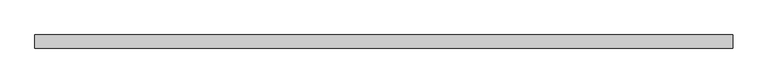
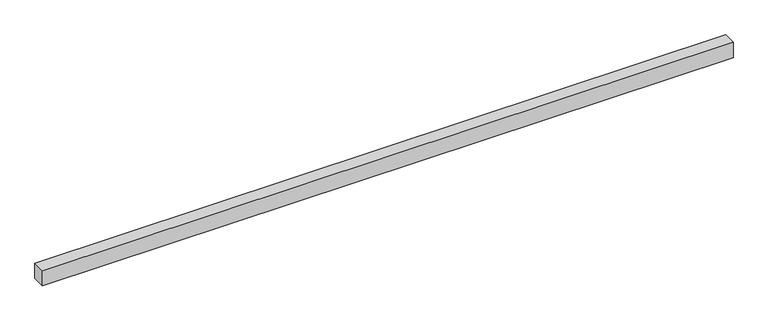
"""IFC4 building model written with IfcOpenShell, lengths in millimetres: proxy geometry."""

from ifc_helpers import new_model, si_unit, frame, origin, place, context, project, spatial, polyline, outline, extrude, source, transform, mapped, element, save


def generic_models_dacee017(model_context):
    return source(origin(), model_context, "Body", "SweptSolid", [
        extrude(outline(polyline([(40.0, 0.0), (-40.0, 0.0), (-40.0, 4256.4875831), (40.0, 4256.4875831), (40.0, 0.0)])), frame((4256.4875831, 0.0, 0.0), z_axis=(0.0, -1.9783474858313244e-12, 1.0), x_axis=(0.0, 1.0, 1.9783474858313244e-12)), (0.0, 0.0, 1.0), 100.0),
    ])


if __name__ == "__main__":
    model = new_model("IFC4")
    model_context = context("Model", 3, world=origin())
    ifc_project = project(units=[si_unit("LENGTHUNIT", "METRE", prefix="MILLI")], contexts=[model_context])
    site = spatial("IfcSite", under=ifc_project)
    building = spatial("IfcBuilding", under=site)
    placement = place(None, origin())
    generic_models_shape = generic_models_dacee017(model_context)
    element("IfcBuildingElementProxy", 1, Name="Generic Models", at=placement, inside=building, context=model_context, shape_type="MappedRepresentation", body=[
        mapped(generic_models_shape, transform((0.0, 0.0, 0.0), x_axis=(1.0, 0.0, 0.0), y_axis=(0.0, 1.0, 0.0), z_axis=(0.0, 0.0, 1.0))),
    ])
    save(model, "model.ifc")
